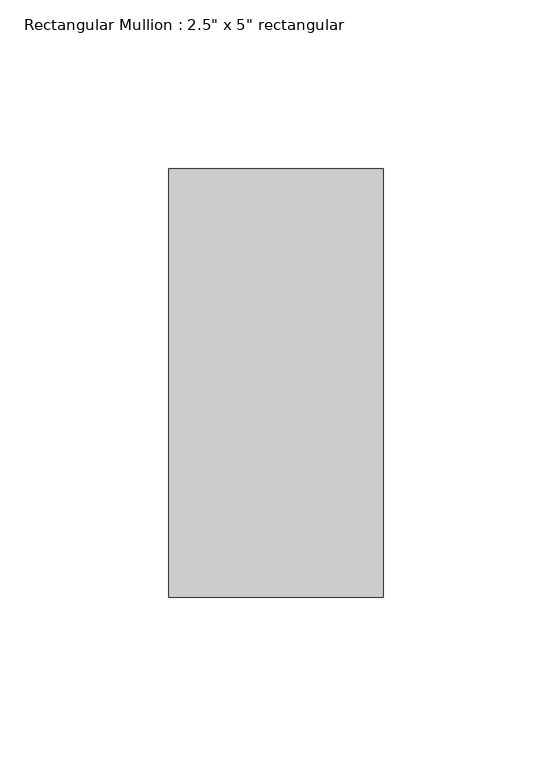
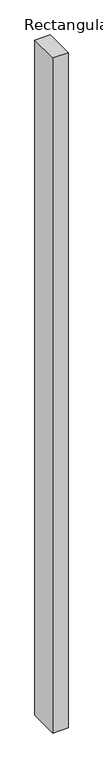
"""IFC4 building model written with IfcOpenShell, lengths in millimetres: member geometry."""

from ifc_helpers import new_model, si_unit, frame, origin, place, context, project, spatial, polyline, outline, extrude, source, transform, mapped, element, save


def member_4929796d(model_context):
    return source(origin(), model_context, "Body", "SweptSolid", [
        extrude(outline(polyline([(31.75, 63.5), (31.75, -63.5), (-31.75, -63.5), (-31.75, 63.5), (31.75, 63.5)])), frame((0.0, 0.0, -2945.8931057), z_axis=(0.0, 0.0, 1.0), x_axis=(1.0, 0.0, 0.0)), (0.0, 0.0, 1.0), 2945.8931057),
    ])


if __name__ == "__main__":
    model = new_model("IFC4")
    model_context = context("Model", 3, world=origin())
    ifc_project = project(units=[si_unit("LENGTHUNIT", "METRE", prefix="MILLI")], contexts=[model_context])
    site = spatial("IfcSite", under=ifc_project)
    building = spatial("IfcBuilding", under=site)
    placement = place(None, origin())
    member_shape = member_4929796d(model_context)
    element("IfcMember", 1, ObjectType="Rectangular Mullion : 2.5\" x 5\" rectangular", at=placement, inside=building, context=model_context, shape_type="MappedRepresentation", body=[
        mapped(member_shape, transform((0.0, 0.0, 0.0), x_axis=(1.0, 0.0, 0.0), y_axis=(0.0, 1.0, 0.0), z_axis=(0.0, 0.0, 1.0))),
    ])
    save(model, "model.ifc")
